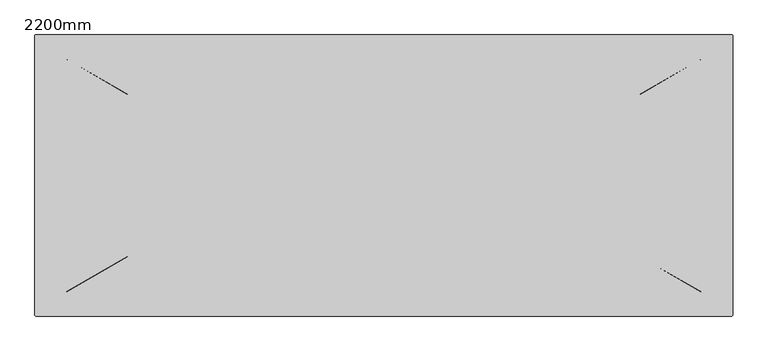
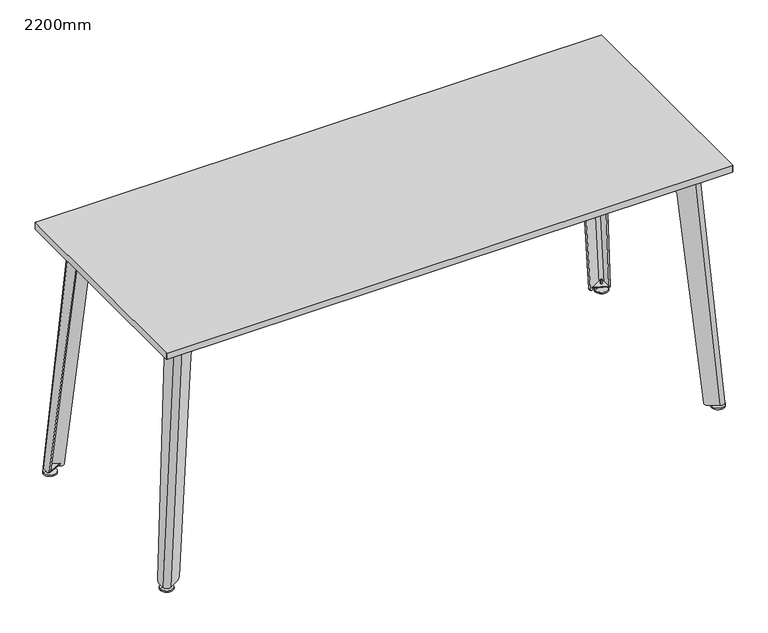
"""IFC4 building model written with IfcOpenShell, lengths in millimetres: furniture geometry, 2200mm."""

from ifc_helpers import new_model, si_unit, point, frame, frame_2d, origin, place, context, project, spatial, polyline, circle_curve, ellipse_curve, trimmed, segment, composite_curve, outline, extrude, source, transform, mapped, element, save
from ifc_brep_helpers import plane_surface, cylinder_surface, revolved_surface, extruded_surface, advanced_brep


def furniture_2200mm_84285210(model_context):
    return source(origin(), model_context, "Body", "SolidModel", [
        extrude(outline(composite_curve([segment(trimmed(circle_curve(frame_2d((1069.9, -398.85)), 10.0), [point((1079.9, -398.85))], [point((1064.9, -407.510254))], False, "CARTESIAN"), True, "CONTINUOUS"), segment(polyline([(1064.9, -407.510254), (1027.8308212, -386.1083537), (1079.9, -365.0710399), (1079.9, -398.85)]), True, "CONTINUOUS")], self_intersect=False)), frame((0.0, 0.0, 21.0), z_axis=(0.0, 0.0, 1.0), x_axis=(1.0, 0.0, 0.0)), (0.0, 0.0, 1.0), 4.0),
        extrude(outline(composite_curve([segment(polyline([(-1079.9, -398.85), (-1079.9, -365.0710399), (-1027.8308212, -386.1083537), (-1064.9, -407.510254)]), True, "CONTINUOUS"), segment(trimmed(circle_curve(frame_2d((-1069.9, -398.85)), 10.0), [point((-1064.9, -407.510254))], [point((-1079.9, -398.85))], False, "CARTESIAN"), True, "CONTINUOUS")], self_intersect=False)), frame((0.0, 0.0, 21.0), z_axis=(0.0, 0.0, 1.0), x_axis=(1.0, 0.0, 0.0)), (0.0, 0.0, 1.0), 4.0),
        extrude(outline(composite_curve([segment(polyline([(1079.9, 398.85), (1079.9, 365.0710399), (1027.8308212, 386.1083537), (1064.9, 407.510254)]), True, "CONTINUOUS"), segment(trimmed(circle_curve(frame_2d((1069.9, 398.85)), 10.0), [point((1064.9, 407.510254))], [point((1079.9, 398.85))], False, "CARTESIAN"), True, "CONTINUOUS")], self_intersect=False)), frame((0.0, 0.0, 21.0), z_axis=(0.0, 0.0, 1.0), x_axis=(1.0, 0.0, 0.0)), (0.0, 0.0, 1.0), 4.0),
        extrude(outline(composite_curve([segment(trimmed(circle_curve(frame_2d((-1069.9, 398.85)), 10.0), [point((-1079.9, 398.85))], [point((-1064.9, 407.510254))], False, "CARTESIAN"), True, "CONTINUOUS"), segment(polyline([(-1064.9, 407.510254), (-1027.8308212, 386.1083537), (-1079.9, 365.0710399), (-1079.9, 398.85)]), True, "CONTINUOUS")], self_intersect=False)), frame((0.0, 0.0, 21.0), z_axis=(0.0, 0.0, 1.0), x_axis=(1.0, 0.0, 0.0)), (0.0, 0.0, 1.0), 4.0),
        extrude(outline(polyline([(900.0, 1007.5599289), (975.0, 1002.4509263), (975.0, -1002.4509263), (900.0, -1007.5599289), (900.0, 1007.5599289)])), frame((0.0, -258.85, 0.0), z_axis=(0.0, 1.0, 0.0), x_axis=(0.0, 0.0, 1.0)), (0.0, 0.0, 1.0), 30.0),
        advanced_brep(
        [(1065.9, -390.35, 0.0), (1040.9, -390.35, 0.0), (1090.9, -390.35, 0.0), (1040.9, -390.35, 5.0), (1090.9, -390.35, 5.0), (1060.9, -390.35, 14.0), (1070.9, -390.35, 14.0), (1065.9, -390.35, 14.0)],
        [
            (0, 1),
            (1, 2, circle_curve(frame((1065.9, -390.35, 0.0), z_axis=(0.0, 0.0, -1.0), x_axis=(-1.0, 0.0, 0.0)), 25.0)),
            (2, 0),
            (2, 1, circle_curve(frame((1065.9, -390.35, 0.0), z_axis=(0.0, 0.0, -1.0), x_axis=(-1.0, 0.0, 0.0)), 25.0)),
            (1, 3),
            (3, 4, circle_curve(frame((1065.9, -390.35, 5.0), z_axis=(0.0, 0.0, -1.0), x_axis=(-1.0, 0.0, 0.0)), 25.0)),
            (4, 2),
            (4, 3, circle_curve(frame((1065.9, -390.35, 5.0), z_axis=(0.0, 0.0, -1.0), x_axis=(-1.0, 0.0, 0.0)), 25.0)),
            (3, 5),
            (5, 6, circle_curve(frame((1065.9, -390.35, 14.0), z_axis=(0.0, 0.0, -1.0), x_axis=(-1.0, 0.0, 0.0)), 5.0)),
            (6, 4),
            (6, 5, circle_curve(frame((1065.9, -390.35, 14.0), z_axis=(0.0, 0.0, -1.0), x_axis=(-1.0, 0.0, 0.0)), 5.0)),
            (5, 7),
            (7, 6),
        ],
        [
            plane_surface(frame((1065.9, -390.35, 0.0), z_axis=(0.0, 0.0, -1.0), x_axis=(-1.0, 0.0, 0.0))),
            cylinder_surface(frame((1065.9, -390.35, -2.6616967), z_axis=(0.0, 0.0, -1.0), x_axis=(-1.0, 0.0, 0.0)), 25.0),
            revolved_surface(polyline([(1060.9, -390.35, 14.0), (1040.9, -390.35, 5.0)]), (1065.9, -390.35, -2.6616967), (0.0, 0.0, -1.0)),
            plane_surface(frame((1065.9, -390.35, 14.0), z_axis=(0.0, 0.0, 1.0), x_axis=(-1.0, 0.0, 0.0))),
        ],
        [
            (0, [[1, 2, 3]]),
            (0, [[-3, 4, -1]]),
            (1, [[-2, 5, 6, 7]]),
            (1, [[-4, -7, 8, -5]]),
            (2, [[-6, 9, 10, 11]]),
            (2, [[-8, -11, 12, -9]]),
            (3, [[-10, 13, 14]]),
            (3, [[-12, -14, -13]]),
        ],
    ),
        advanced_brep(
        [(1090.9, 390.35, 0.0), (1040.9, 390.35, 0.0), (1065.9, 390.35, 0.0), (1090.9, 390.35, 5.0), (1040.9, 390.35, 5.0), (1070.9, 390.35, 14.0), (1060.9, 390.35, 14.0), (1065.9, 390.35, 14.0)],
        [
            (0, 1, circle_curve(frame((1065.9, 390.35, 0.0), z_axis=(0.0, 0.0, -1.0), x_axis=(-1.0, 0.0, 0.0)), 25.0)),
            (1, 2),
            (2, 0),
            (1, 0, circle_curve(frame((1065.9, 390.35, 0.0), z_axis=(0.0, 0.0, -1.0), x_axis=(-1.0, 0.0, 0.0)), 25.0)),
            (3, 4, circle_curve(frame((1065.9, 390.35, 5.0), z_axis=(0.0, 0.0, -1.0), x_axis=(-1.0, 0.0, 0.0)), 25.0)),
            (4, 1),
            (0, 3),
            (4, 3, circle_curve(frame((1065.9, 390.35, 5.0), z_axis=(0.0, 0.0, -1.0), x_axis=(-1.0, 0.0, 0.0)), 25.0)),
            (5, 6, circle_curve(frame((1065.9, 390.35, 14.0), z_axis=(0.0, 0.0, -1.0), x_axis=(-1.0, 0.0, 0.0)), 5.0)),
            (6, 4),
            (3, 5),
            (6, 5, circle_curve(frame((1065.9, 390.35, 14.0), z_axis=(0.0, 0.0, -1.0), x_axis=(-1.0, 0.0, 0.0)), 5.0)),
            (7, 6),
            (5, 7),
        ],
        [
            plane_surface(frame((1065.9, 390.35, 0.0), z_axis=(0.0, 0.0, -1.0), x_axis=(-1.0, 0.0, 0.0))),
            cylinder_surface(frame((1065.9, 390.35, -2.6616967), z_axis=(0.0, 0.0, 1.0), x_axis=(-1.0, 0.0, 0.0)), 25.0),
            revolved_surface(polyline([(1040.9, 390.35, 5.0), (1060.9, 390.35, 14.0)]), (1065.9, 390.35, -2.6616967), (0.0, 0.0, 1.0)),
            plane_surface(frame((1065.9, 390.35, 14.0), z_axis=(0.0, 0.0, 1.0), x_axis=(-1.0, 0.0, 0.0))),
        ],
        [
            (0, [[1, 2, 3]]),
            (0, [[4, -3, -2]]),
            (1, [[5, 6, -1, 7]]),
            (1, [[8, -7, -4, -6]]),
            (2, [[9, 10, -5, 11]]),
            (2, [[12, -11, -8, -10]]),
            (3, [[13, -9, 14]]),
            (3, [[-14, -12, -13]]),
        ],
    ),
        advanced_brep(
        [(-1090.9, -390.35, 0.0), (-1040.9, -390.35, 0.0), (-1065.9, -390.35, 0.0), (-1090.9, -390.35, 5.0), (-1040.9, -390.35, 5.0), (-1070.9, -390.35, 14.0), (-1060.9, -390.35, 14.0), (-1065.9, -390.35, 14.0)],
        [
            (0, 1, circle_curve(frame((-1065.9, -390.35, 0.0), z_axis=(0.0, 0.0, -1.0), x_axis=(1.0, 0.0, 0.0)), 25.0)),
            (1, 2),
            (2, 0),
            (1, 0, circle_curve(frame((-1065.9, -390.35, 0.0), z_axis=(0.0, 0.0, -1.0), x_axis=(1.0, 0.0, 0.0)), 25.0)),
            (3, 4, circle_curve(frame((-1065.9, -390.35, 5.0), z_axis=(0.0, 0.0, -1.0), x_axis=(1.0, 0.0, 0.0)), 25.0)),
            (4, 1),
            (0, 3),
            (4, 3, circle_curve(frame((-1065.9, -390.35, 5.0), z_axis=(0.0, 0.0, -1.0), x_axis=(1.0, 0.0, 0.0)), 25.0)),
            (5, 6, circle_curve(frame((-1065.9, -390.35, 14.0), z_axis=(0.0, 0.0, -1.0), x_axis=(1.0, 0.0, 0.0)), 5.0)),
            (6, 4),
            (3, 5),
            (6, 5, circle_curve(frame((-1065.9, -390.35, 14.0), z_axis=(0.0, 0.0, -1.0), x_axis=(1.0, 0.0, 0.0)), 5.0)),
            (7, 6),
            (5, 7),
        ],
        [
            plane_surface(frame((-1065.9, -390.35, 0.0), z_axis=(0.0, 0.0, -1.0), x_axis=(1.0, 0.0, 0.0))),
            cylinder_surface(frame((-1065.9, -390.35, -2.6616967), z_axis=(0.0, 0.0, 1.0), x_axis=(1.0, 0.0, 0.0)), 25.0),
            revolved_surface(polyline([(-1040.9, -390.35, 5.0), (-1060.9, -390.35, 14.0)]), (-1065.9, -390.35, -2.6616967), (0.0, 0.0, 1.0)),
            plane_surface(frame((-1065.9, -390.35, 14.0), z_axis=(0.0, 0.0, 1.0), x_axis=(1.0, 0.0, 0.0))),
        ],
        [
            (0, [[1, 2, 3]]),
            (0, [[4, -3, -2]]),
            (1, [[5, 6, -1, 7]]),
            (1, [[8, -7, -4, -6]]),
            (2, [[9, 10, -5, 11]]),
            (2, [[12, -11, -8, -10]]),
            (3, [[13, -9, 14]]),
            (3, [[-14, -12, -13]]),
        ],
    ),
        extrude(outline(composite_curve([segment(trimmed(circle_curve(frame_2d((-1065.9, 390.35)), 3.5), [point((-1069.4, 390.35))], [point((-1062.4, 390.35))], False, "CARTESIAN"), True, "CONTINUOUS"), segment(trimmed(circle_curve(frame_2d((-1065.9, 390.35)), 3.5), [point((-1062.4, 390.35))], [point((-1069.4, 390.35))], False, "CARTESIAN"), True, "CONTINUOUS")], self_intersect=False)), frame((0.0, 0.0, 14.0), z_axis=(0.0, 0.0, 1.0), x_axis=(1.0, 0.0, 0.0)), (0.0, 0.0, 1.0), 26.0),
        extrude(outline(composite_curve([segment(trimmed(circle_curve(frame_2d((-1065.9, -390.35)), 3.5), [point((-1069.4, -390.35))], [point((-1062.4, -390.35))], False, "CARTESIAN"), True, "CONTINUOUS"), segment(trimmed(circle_curve(frame_2d((-1065.9, -390.35)), 3.5), [point((-1062.4, -390.35))], [point((-1069.4, -390.35))], False, "CARTESIAN"), True, "CONTINUOUS")], self_intersect=False)), frame((0.0, 0.0, 14.0), z_axis=(0.0, 0.0, 1.0), x_axis=(1.0, 0.0, 0.0)), (0.0, 0.0, 1.0), 26.0),
        extrude(outline(composite_curve([segment(trimmed(circle_curve(frame_2d((1065.9, 390.35)), 3.5), [point((1062.4, 390.35))], [point((1069.4, 390.35))], False, "CARTESIAN"), True, "CONTINUOUS"), segment(trimmed(circle_curve(frame_2d((1065.9, 390.35)), 3.5), [point((1069.4, 390.35))], [point((1062.4, 390.35))], False, "CARTESIAN"), True, "CONTINUOUS")], self_intersect=False)), frame((0.0, 0.0, 14.0), z_axis=(0.0, 0.0, 1.0), x_axis=(1.0, 0.0, 0.0)), (0.0, 0.0, 1.0), 26.0),
        extrude(outline(composite_curve([segment(trimmed(circle_curve(frame_2d((1065.9, -390.35)), 3.5), [point((1062.4, -390.35))], [point((1069.4, -390.35))], False, "CARTESIAN"), True, "CONTINUOUS"), segment(trimmed(circle_curve(frame_2d((1065.9, -390.35)), 3.5), [point((1069.4, -390.35))], [point((1062.4, -390.35))], False, "CARTESIAN"), True, "CONTINUOUS")], self_intersect=False)), frame((0.0, 0.0, 14.0), z_axis=(0.0, 0.0, 1.0), x_axis=(1.0, 0.0, 0.0)), (0.0, 0.0, 1.0), 26.0),
        advanced_brep(
        [(-1065.9, 390.35, 0.0), (-1040.9, 390.35, 0.0), (-1090.9, 390.35, 0.0), (-1040.9, 390.35, 5.0), (-1090.9, 390.35, 5.0), (-1060.9, 390.35, 14.0), (-1070.9, 390.35, 14.0), (-1065.9, 390.35, 14.0)],
        [
            (0, 1),
            (1, 2, circle_curve(frame((-1065.9, 390.35, 0.0), z_axis=(0.0, 0.0, -1.0), x_axis=(1.0, 0.0, 0.0)), 25.0)),
            (2, 0),
            (2, 1, circle_curve(frame((-1065.9, 390.35, 0.0), z_axis=(0.0, 0.0, -1.0), x_axis=(1.0, 0.0, 0.0)), 25.0)),
            (1, 3),
            (3, 4, circle_curve(frame((-1065.9, 390.35, 5.0), z_axis=(0.0, 0.0, -1.0), x_axis=(1.0, 0.0, 0.0)), 25.0)),
            (4, 2),
            (4, 3, circle_curve(frame((-1065.9, 390.35, 5.0), z_axis=(0.0, 0.0, -1.0), x_axis=(1.0, 0.0, 0.0)), 25.0)),
            (3, 5),
            (5, 6, circle_curve(frame((-1065.9, 390.35, 14.0), z_axis=(0.0, 0.0, -1.0), x_axis=(1.0, 0.0, 0.0)), 5.0)),
            (6, 4),
            (6, 5, circle_curve(frame((-1065.9, 390.35, 14.0), z_axis=(0.0, 0.0, -1.0), x_axis=(1.0, 0.0, 0.0)), 5.0)),
            (5, 7),
            (7, 6),
        ],
        [
            plane_surface(frame((-1065.9, 390.35, 0.0), z_axis=(0.0, 0.0, -1.0), x_axis=(1.0, 0.0, 0.0))),
            cylinder_surface(frame((-1065.9, 390.35, -2.6616967), z_axis=(0.0, 0.0, -1.0), x_axis=(1.0, 0.0, 0.0)), 25.0),
            revolved_surface(polyline([(-1060.9, 390.35, 14.0), (-1040.9, 390.35, 5.0)]), (-1065.9, 390.35, -2.6616967), (0.0, 0.0, -1.0)),
            plane_surface(frame((-1065.9, 390.35, 14.0), z_axis=(0.0, 0.0, 1.0), x_axis=(1.0, 0.0, 0.0))),
        ],
        [
            (0, [[1, 2, 3]]),
            (0, [[-3, 4, -1]]),
            (1, [[-2, 5, 6, 7]]),
            (1, [[-4, -7, 8, -5]]),
            (2, [[-6, 9, 10, 11]]),
            (2, [[-8, -11, 12, -9]]),
            (3, [[-10, 13, 14]]),
            (3, [[-12, -14, -13]]),
        ],
    ),
        extrude(outline(polyline([(975.0, 1002.4509263), (975.0, -1002.4509263), (900.0, -1007.5599289), (900.0, 1007.5599289), (975.0, 1002.4509263)])), frame((0.0, 228.85, 0.0), z_axis=(0.0, 1.0, 0.0), x_axis=(0.0, 0.0, 1.0)), (0.0, 0.0, 1.0), 30.0),
        advanced_brep(
        [(1007.4625137, -349.35, 975.0), (992.4625137, -358.010254, 975.0), (767.2959087, -228.010254, 975.0), (764.7959087, -232.3403811, 975.0), (989.9625137, -362.3403811, 975.0), (1012.4625137, -349.35, 975.0), (1012.4625137, -204.35, 975.0), (1007.4625137, -204.35, 975.0), (1084.9, -398.85, 15.0), (1062.4, -411.8403811, 15.0), (1024.9955687, -390.2449226, 15.0), (1023.9711325, -389.653464, 15.0), (1026.5712889, -385.3811624, 15.0), (1027.5957252, -385.9726209, 15.0), (1064.9, -407.510254, 15.0), (1079.9, -398.85, 15.0), (1079.9, -375.85, 15.0), (1079.9, -374.6082745, 15.0), (1084.9, -374.6082745, 15.0), (1084.9, -375.85, 15.0), (1084.0930456, -362.6795094, 25.6944107), (1020.4753094, -297.763931, 868.8079686), (1018.1216923, -262.9716995, 900.0), (1018.1216923, -239.35, 900.0), (1015.4807423, -204.35, 935.0), (783.9867343, -244.0200686, 900.0), (910.7752244, -317.2214374, 900.0), (940.8187311, -334.8180588, 868.6183037), (1013.6705016, -383.6203367, 25.7594387), (786.4867343, -239.6899415, 900.0), (1016.270658, -379.348035, 25.7594387), (943.4188875, -330.5457571, 868.6183037), (913.3753808, -312.9491358, 900.0), (1010.4807423, -204.35, 935.0), (1013.1216923, -239.35, 900.0), (1013.1216923, -262.9716995, 900.0), (1015.4753094, -297.763931, 868.8079686), (1079.0930456, -362.6795094, 25.6944107)],
        [
            (0, 1, circle_curve(frame((997.4625137, -349.35, 975.0), z_axis=(0.0, 0.0, -1.0), x_axis=(-1.0, 0.0, 0.0)), 10.0)),
            (1, 2),
            (2, 3),
            (3, 4),
            (4, 5, circle_curve(frame((997.4625137, -349.35, 975.0), z_axis=(0.0, 0.0, 1.0), x_axis=(-1.0, 0.0, 0.0)), 15.0)),
            (5, 6),
            (6, 7),
            (7, 0),
            (8, 9, circle_curve(frame((1069.9, -398.85, 15.0), z_axis=(0.0, 0.0, -1.0), x_axis=(-1.0, 0.0, 0.0)), 15.0)),
            (9, 10),
            (10, 11),
            (11, 12),
            (12, 13),
            (13, 14),
            (14, 15, circle_curve(frame((1069.9, -398.85, 15.0), z_axis=(0.0, 0.0, 1.0), x_axis=(-1.0, 0.0, 0.0)), 10.0)),
            (15, 16),
            (16, 17),
            (17, 18),
            (18, 19),
            (19, 8),
            (5, 8),
            (18, 20, ellipse_curve(frame((1083.9945314, -374.6082745, 27.0), z_axis=(0.9971653164115103, 0.0, 0.07524182178770429), x_axis=(-0.07524182178770267, 0.0, 0.9971653164115103)), 12.0341129, 12.0)),
            (20, 21),
            (21, 22, ellipse_curve(frame((1020.7626424, -262.9716995, 865.0), z_axis=(-0.9971653164115103, 0.0, -0.07524182178770429), x_axis=(0.07524182178770267, 0.0, -0.9971653164115103)), 35.099496, 35.0)),
            (22, 23),
            (23, 24, ellipse_curve(frame((1015.4807423, -239.35, 935.0), z_axis=(0.9971653164115103, 0.0, 0.07524182178770429), x_axis=(-0.07524182178770267, 0.0, 0.9971653164115103)), 35.099496, 35.0)),
            (24, 6),
            (4, 9),
            (3, 25),
            (25, 26),
            (26, 27, ellipse_curve(frame((910.6491531, -317.4285844, 865.0), z_axis=(0.49998800606232935, 0.8660046296760573, -0.006926411296702208), x_axis=(0.8306199541364403, -0.47726430404201303, 0.28686107417645745)), 35.0102011, 35.0)),
            (27, 28),
            (28, 11, ellipse_curve(frame((1024.0143569, -389.5824422, 27.0), z_axis=(-0.49998800606232935, -0.8660046296760573, 0.006926411296702208), x_axis=(-0.8306199541364403, 0.47726430404201303, -0.28686107417645745)), 12.0034975, 12.0)),
            (2, 29),
            (29, 25),
            (1, 14),
            (12, 30, ellipse_curve(frame((1026.6145133, -385.3101405, 27.0), z_axis=(0.4999880060623276, 0.8660046296760537, -0.006926411297292809), x_axis=(-0.8306199541307749, 0.47726430403837944, -0.2868610741989066)), 12.0034975, 12.0)),
            (30, 31),
            (31, 32, ellipse_curve(frame((913.2493095, -313.1562828, 865.0), z_axis=(-0.4999880060623276, -0.8660046296760537, 0.006926411297292809), x_axis=(0.8306199541307749, -0.47726430403837944, 0.2868610741989066)), 35.0102011, 35.0)),
            (32, 29),
            (0, 15),
            (7, 33),
            (33, 34, ellipse_curve(frame((1010.4807423, -239.35, 935.0), z_axis=(-0.9971653164114374, 0.0, -0.0752418217886706), x_axis=(-0.07524182178867078, 0.0, 0.9971653164114374)), 35.099496, 35.0)),
            (34, 35),
            (35, 36, ellipse_curve(frame((1015.7626424, -262.9716995, 865.0), z_axis=(0.9971653164114374, 0.0, 0.0752418217886706), x_axis=(0.07524182178867078, 0.0, -0.9971653164114374)), 35.099496, 35.0)),
            (36, 37),
            (37, 17, ellipse_curve(frame((1078.9945314, -374.6082745, 27.0), z_axis=(-0.9971653164114374, 0.0, -0.0752418217886706), x_axis=(-0.07524182178867078, 0.0, 0.9971653164114374)), 12.0341129, 12.0)),
            (35, 22),
            (21, 36),
            (20, 37),
            (24, 33),
            (23, 34),
            (32, 26),
            (31, 27),
            (30, 28),
        ],
        [
            plane_surface(frame((944.2958625, -279.7626588, 975.0), z_axis=(0.0, 0.0, 1.0), x_axis=(-1.0, 0.0, 0.0))),
            plane_surface(frame((1060.0346189, -386.7626588, 15.0), z_axis=(0.0, 0.0, -1.0), x_axis=(-1.0, 0.0, 0.0))),
            plane_surface(frame((1084.9, -378.85, 15.0), z_axis=(0.9971653164115103, 0.0, 0.07524182178770429), x_axis=(0.0, 1.0, 0.0))),
            extruded_surface(trimmed(circle_curve(frame((1069.9, -398.85, 15.0), z_axis=(0.0, 0.0, 1.0), x_axis=(-1.0, 0.0, 0.0)), 15.0), [point((1062.4, -411.8403811, 15.0))], [point((1084.9, -398.85, 15.0))], True, "CARTESIAN"), (-72.43748630000005, 49.5, 960.0), 964.0007465876065),
            plane_surface(frame((1036.4192379, -396.8403811, 15.0), z_axis=(-0.49998800606232935, -0.8660046296760573, 0.006926411296702208), x_axis=(0.8660254037847004, -0.49999999999954664, 0.0))),
            plane_surface(frame((1011.6884758, -379.6753175, 15.0), z_axis=(-0.829624833642389, 0.4789841210292581, -0.2868742707279055), x_axis=(-0.49999999999955086, -0.8660254037846981, 0.0))),
            plane_surface(frame((1038.9192379, -392.510254, 15.0), z_axis=(0.49998800606232746, 0.8660046296760535, -0.006926411297292807), x_axis=(-0.8660254037847003, 0.4999999999995468, 0.0))),
            extruded_surface(trimmed(circle_curve(frame((1069.9, -398.85, 15.0), z_axis=(0.0, 0.0, -1.0), x_axis=(-1.0, 0.0, 0.0)), 10.0), [point((1079.9, -398.85, 15.0))], [point((1064.9, -407.510254, 15.0))], True, "CARTESIAN"), (-72.43748630000005, 49.5, 960.0), 964.0007465876065),
            plane_surface(frame((1079.9, -378.85, 15.0), z_axis=(-0.9971653164114374, 0.0, -0.0752418217886706), x_axis=(0.0, -1.0, 0.0))),
            revolved_surface(polyline([(1023.4035924228701, -227.9716995, 865.0), (1013.1216922999997, -227.9716995, 865.0)]), (-1104.9, -262.9716995, 865.0), (1.0, 0.0, 0.0)),
            plane_surface(frame((1104.9, -297.763931, 868.8079686), z_axis=(0.0, 0.9970489946582772, -0.07676784646529179), x_axis=(-1.0, 0.0, 0.0))),
            cylinder_surface(frame((-1104.9, -374.6082745, 27.0), z_axis=(-1.0, 0.0, 0.0), x_axis=(0.0, 1.0, 0.0)), 12.0),
            plane_surface(frame((1104.9, -204.35, 975.0), z_axis=(0.0, 1.0, 0.0), x_axis=(-1.0, 0.0, 0.0))),
            cylinder_surface(frame((-1104.9, -239.35, 935.0), z_axis=(-1.0, 0.0, 0.0), x_axis=(0.0, 1.0, 0.0)), 35.0),
            plane_surface(frame((1104.9, -239.35, 900.0), z_axis=(0.0, 0.0, -1.0), x_axis=(-1.0, 0.0, 0.0))),
            revolved_surface(polyline([(883.7905520029547, -294.23814897375735, 865.0), (880.3116806432018, -299.9542619581393, 865.0)]), (894.0509742, -344.7009542, 865.0), (0.5198922329362203, 0.8542318573622685, 0.0)),
            plane_surface(frame((953.7291947, -313.6049523, 868.6183037), z_axis=(-0.8496548167941913, 0.5171066100158513, -0.10338010532178658), x_axis=(-0.51989223293622, -0.8542318573622687, 0.0))),
            cylinder_surface(frame((1008.8190734, -414.5497228, 27.0), z_axis=(-0.5198922329362203, -0.8542318573622685, 0.0), x_axis=(-0.8542318573622685, 0.5198922329362203, 0.0)), 12.0),
        ],
        [
            (0, [[1, 2, 3, 4, 5, 6, 7, 8]]),
            (1, [[9, 10, 11, 12, 13, 14, 15, 16, 17, 18, 19, 20]]),
            (2, [[21, -20, -19, 22, 23, 24, 25, 26, 27, -6]]),
            (3, [[-5, 28, -9, -21]]),
            (4, [[-4, 29, 30, 31, 32, 33, -11, -10, -28]]),
            (5, [[-3, 34, 35, -29]]),
            (6, [[-2, 36, -14, -13, 37, 38, 39, 40, -34]]),
            (7, [[-1, 41, -15, -36]]),
            (8, [[-41, -8, 42, 43, 44, 45, 46, 47, -17, -16]]),
            (9, [[48, -24, 49, -45]]),
            (10, [[-49, -23, 50, -46]]),
            (11, [[-50, -22, -18, -47]]),
            (12, [[51, -42, -7, -27]]),
            (13, [[-51, -26, 52, -43]]),
            (14, [[-35, -40, 53, -30]]),
            (14, [[-48, -44, -52, -25]]),
            (15, [[-53, -39, 54, -31]]),
            (16, [[-54, -38, 55, -32]]),
            (17, [[-55, -37, -12, -33]]),
        ],
    ),
        advanced_brep(
        [(-1012.4625137, -349.35, 975.0), (-989.9625137, -362.3403811, 975.0), (-804.7251938, -255.3935645, 975.0), (-807.3253502, -251.1212628, 975.0), (-992.4625137, -358.010254, 975.0), (-1007.4625137, -349.35, 975.0), (-1007.4625137, -204.35, 975.0), (-1012.4625137, -204.35, 975.0), (-1079.9, -398.85, 15.0), (-1064.9, -407.510254, 15.0), (-1027.5957252, -385.9726209, 15.0), (-1026.5712889, -385.3811624, 15.0), (-1023.9711325, -389.653464, 15.0), (-1024.9955687, -390.2449226, 15.0), (-1062.4, -411.8403811, 15.0), (-1084.9, -398.85, 15.0), (-1084.9, -375.85, 15.0), (-1084.9, -374.6082745, 15.0), (-1079.9, -374.6082745, 15.0), (-1079.9, -375.85, 15.0), (-1015.4807423, -204.35, 935.0), (-1018.1216923, -239.35, 900.0), (-1018.1216923, -262.9716995, 900.0), (-1020.4753094, -297.763931, 868.8079686), (-1084.0930456, -362.6795094, 25.6944107), (-1013.6705016, -383.6203367, 25.7594387), (-940.8187311, -334.8180588, 868.6183037), (-910.7752244, -317.2214374, 900.0), (-804.455041, -255.8374509, 900.0), (-807.0551974, -251.5651493, 900.0), (-913.3753808, -312.9491358, 900.0), (-943.4188875, -330.5457571, 868.6183037), (-1016.270658, -379.348035, 25.7594387), (-1079.0930456, -362.6795094, 25.6944107), (-1015.4753094, -297.763931, 868.8079686), (-1013.1216923, -262.9716995, 900.0), (-1013.1216923, -239.35, 900.0), (-1010.4807423, -204.35, 935.0)],
        [
            (0, 1, circle_curve(frame((-997.4625137, -349.35, 975.0), z_axis=(0.0, 0.0, 1.0), x_axis=(1.0, 0.0, 0.0)), 15.0)),
            (1, 2),
            (2, 3),
            (3, 4),
            (4, 5, circle_curve(frame((-997.4625137, -349.35, 975.0), z_axis=(0.0, 0.0, -1.0), x_axis=(1.0, 0.0, 0.0)), 10.0)),
            (5, 6),
            (6, 7),
            (7, 0),
            (8, 9, circle_curve(frame((-1069.9, -398.85, 15.0), z_axis=(0.0, 0.0, 1.0), x_axis=(1.0, 0.0, 0.0)), 10.0)),
            (9, 10),
            (10, 11),
            (11, 12),
            (12, 13),
            (13, 14),
            (14, 15, circle_curve(frame((-1069.9, -398.85, 15.0), z_axis=(0.0, 0.0, -1.0), x_axis=(1.0, 0.0, 0.0)), 15.0)),
            (15, 16),
            (16, 17),
            (17, 18),
            (18, 19),
            (19, 8),
            (15, 0),
            (7, 20),
            (20, 21, ellipse_curve(frame((-1015.4807423, -239.35, 935.0), z_axis=(-0.9971653164115172, 0.0, 0.07524182178761259), x_axis=(-0.07524182178761288, 0.0, -0.9971653164115172)), 35.099496, 35.0)),
            (21, 22),
            (22, 23, ellipse_curve(frame((-1020.7626424, -262.9716995, 865.0), z_axis=(0.9971653164115172, 0.0, -0.07524182178761259), x_axis=(0.07524182178761288, 0.0, 0.9971653164115172)), 35.099496, 35.0)),
            (23, 24),
            (24, 17, ellipse_curve(frame((-1083.9945314, -374.6082745, 27.0), z_axis=(-0.9971653164115172, 0.0, 0.07524182178761259), x_axis=(-0.07524182178761288, 0.0, -0.9971653164115172)), 12.0341129, 12.0)),
            (14, 1),
            (12, 25, ellipse_curve(frame((-1024.0143569, -389.5824422, 27.0), z_axis=(0.4999880060625346, -0.8660046296759386, 0.006926411296751298), x_axis=(-0.8306199541360118, -0.47726430404201964, 0.28686107417768686)), 12.0034975, 12.0)),
            (25, 26),
            (26, 27, ellipse_curve(frame((-910.6491531, -317.4285844, 865.0), z_axis=(-0.4999880060625346, 0.8660046296759386, -0.006926411296751298), x_axis=(0.8306199541360118, 0.47726430404201964, -0.28686107417768686)), 35.0102011, 35.0)),
            (27, 28),
            (28, 2),
            (9, 4),
            (3, 29),
            (29, 30),
            (30, 31, ellipse_curve(frame((-913.2493095, -313.1562828, 865.0), z_axis=(0.4999880060625323, -0.8660046296759351, 0.006926411297352305), x_axis=(0.8306199541302559, 0.4772643040383091, -0.2868610742005261)), 35.0102011, 35.0)),
            (31, 32),
            (32, 11, ellipse_curve(frame((-1026.6145133, -385.3101405, 27.0), z_axis=(-0.4999880060625323, 0.8660046296759351, -0.006926411297352305), x_axis=(-0.8306199541302559, -0.4772643040383091, 0.2868610742005261)), 12.0034975, 12.0)),
            (8, 5),
            (18, 33, ellipse_curve(frame((-1078.9945314, -374.6082745, 27.0), z_axis=(0.9971653164114446, 0.0, -0.07524182178857498), x_axis=(-0.07524182178857458, 0.0, -0.9971653164114446)), 12.0341129, 12.0)),
            (33, 34),
            (34, 35, ellipse_curve(frame((-1015.7626424, -262.9716995, 865.0), z_axis=(-0.9971653164114446, 0.0, 0.07524182178857498), x_axis=(0.07524182178857458, 0.0, 0.9971653164114446)), 35.099496, 35.0)),
            (35, 36),
            (36, 37, ellipse_curve(frame((-1010.4807423, -239.35, 935.0), z_axis=(0.9971653164114446, 0.0, -0.07524182178857498), x_axis=(-0.07524182178857458, 0.0, -0.9971653164114446)), 35.099496, 35.0)),
            (37, 6),
            (22, 35),
            (34, 23),
            (33, 24),
            (37, 20),
            (36, 21),
            (27, 30),
            (29, 28),
            (26, 31),
            (25, 32),
        ],
        [
            plane_surface(frame((-944.2958625, -279.7626588, 975.0), z_axis=(0.0, 0.0, 1.0), x_axis=(0.0, -1.0, 0.0))),
            plane_surface(frame((-1060.0346189, -386.7626588, 15.0), z_axis=(0.0, 0.0, -1.0), x_axis=(0.0, -1.0, 0.0))),
            plane_surface(frame((-1084.9, -378.85, 15.0), z_axis=(-0.9971653164115172, 0.0, 0.07524182178761259), x_axis=(0.0, -1.0, 0.0))),
            extruded_surface(trimmed(circle_curve(frame((-1069.9, -398.85, 15.0), z_axis=(0.0, 0.0, 1.0), x_axis=(1.0, 0.0, 0.0)), 15.0), [point((-1084.9, -398.85, 15.0))], [point((-1062.4, -411.8403811, 15.0))], True, "CARTESIAN"), (72.43748630000005, 49.5, 960.0), 964.0007465876065),
            plane_surface(frame((-1036.4192379, -396.8403811, 15.0), z_axis=(0.49998800606253446, -0.8660046296759384, 0.006926411296751297), x_axis=(0.8660254037845818, 0.4999999999997519, 0.0))),
            plane_surface(frame((-1038.9192379, -392.510254, 15.0), z_axis=(-0.4999880060625323, 0.8660046296759351, -0.006926411297352305), x_axis=(-0.866025403784582, -0.4999999999997518, 0.0))),
            extruded_surface(trimmed(circle_curve(frame((-1069.9, -398.85, 15.0), z_axis=(0.0, 0.0, -1.0), x_axis=(1.0, 0.0, 0.0)), 10.0), [point((-1064.9, -407.510254, 15.0))], [point((-1079.9, -398.85, 15.0))], True, "CARTESIAN"), (72.43748630000005, 49.5, 960.0), 964.0007465876065),
            plane_surface(frame((-1079.9, -378.85, 15.0), z_axis=(0.9971653164114446, 0.0, -0.07524182178857498), x_axis=(0.0, 1.0, 0.0))),
            revolved_surface(polyline([(-1013.1216923, -227.9716995, 865.0), (-1023.4035924228671, -227.9716995, 865.0)]), (-1104.9, -262.9716995, 865.0), (1.0, 0.0, 0.0)),
            plane_surface(frame((1104.9, -297.763931, 868.8079686), z_axis=(0.0, 0.9970489946582772, -0.07676784646529179), x_axis=(-1.0, 0.0, 0.0))),
            cylinder_surface(frame((-1104.9, -374.6082745, 27.0), z_axis=(-1.0, 0.0, 0.0), x_axis=(0.0, 1.0, 0.0)), 12.0),
            plane_surface(frame((1104.9, -204.35, 975.0), z_axis=(0.0, 1.0, 0.0), x_axis=(-1.0, 0.0, 0.0))),
            cylinder_surface(frame((-1104.9, -239.35, 935.0), z_axis=(-1.0, 0.0, 0.0), x_axis=(0.0, 1.0, 0.0)), 35.0),
            plane_surface(frame((1104.9, -239.35, 900.0), z_axis=(0.0, 0.0, -1.0), x_axis=(-1.0, 0.0, 0.0))),
            plane_surface(frame((-789.1948047, -280.9114551, 975.0), z_axis=(0.8542318573621146, 0.5198922329364731, 0.0), x_axis=(-0.5198922329364731, 0.8542318573621146, 0.0))),
            revolved_surface(polyline([(-880.3116805797091, -299.95426191948724, 865.0), (-883.7905519394659, -294.23814893510274, 865.0)]), (-923.9793779, -295.5257707, 865.0), (0.5198922329364706, -0.8542318573621162, 0.0)),
            plane_surface(frame((-923.7769946, -362.8192353, 868.6183037), z_axis=(0.8496548167940399, 0.5171066100161018, -0.10338010532177778), x_axis=(-0.5198922329364714, 0.8542318573621156, 0.0))),
            cylinder_surface(frame((-1038.7474771, -365.3745394, 27.0), z_axis=(-0.5198922329364706, 0.8542318573621162, 0.0), x_axis=(0.8542318573621162, 0.5198922329364706, 0.0)), 12.0),
        ],
        [
            (0, [[1, 2, 3, 4, 5, 6, 7, 8]]),
            (1, [[9, 10, 11, 12, 13, 14, 15, 16, 17, 18, 19, 20]]),
            (2, [[21, -8, 22, 23, 24, 25, 26, 27, -17, -16]]),
            (3, [[-1, -21, -15, 28]]),
            (4, [[-28, -14, -13, 29, 30, 31, 32, 33, -2]]),
            (5, [[34, -4, 35, 36, 37, 38, 39, -11, -10]]),
            (6, [[-5, -34, -9, 40]]),
            (7, [[-40, -20, -19, 41, 42, 43, 44, 45, 46, -6]]),
            (8, [[47, -43, 48, -25]]),
            (9, [[-48, -42, 49, -26]]),
            (10, [[-49, -41, -18, -27]]),
            (11, [[50, -22, -7, -46]]),
            (12, [[-50, -45, 51, -23]]),
            (13, [[-47, -24, -51, -44]]),
            (13, [[52, -36, 53, -32]]),
            (14, [[-3, -33, -53, -35]]),
            (15, [[-52, -31, 54, -37]]),
            (16, [[-54, -30, 55, -38]]),
            (17, [[-55, -29, -12, -39]]),
        ],
    ),
        extrude(outline(polyline([(975.0, 1007.4625137), (975.0, 1002.4509263), (900.0, 1007.5599289), (900.0, 1012.5715163), (975.0, 1007.4625137)])), frame((0.0, -258.85, 0.0), z_axis=(0.0, 1.0, 0.0), x_axis=(0.0, 0.0, 1.0)), (0.0, 0.0, 1.0), 517.7),
        extrude(outline(polyline([(975.0, -1007.4625137), (900.0, -1012.5715163), (900.0, -1007.5599289), (975.0, -1002.4509263), (975.0, -1007.4625137)])), frame((0.0, -258.85, 0.0), z_axis=(0.0, 1.0, 0.0), x_axis=(0.0, 0.0, 1.0)), (0.0, 0.0, 1.0), 517.7),
        advanced_brep(
        [(1012.4625137, 349.35, 975.0), (989.9625137, 362.3403811, 975.0), (804.7251938, 255.3935645, 975.0), (807.3253502, 251.1212628, 975.0), (992.4625137, 358.010254, 975.0), (1007.4625137, 349.35, 975.0), (1007.4625137, 204.35, 975.0), (1012.4625137, 204.35, 975.0), (1079.9, 398.85, 15.0), (1064.9, 407.510254, 15.0), (1027.5957251, 385.9726209, 15.0), (1026.5712889, 385.3811624, 15.0), (1023.9711325, 389.653464, 15.0), (1024.9955687, 390.2449226, 15.0), (1062.4, 411.8403811, 15.0), (1084.9, 398.85, 15.0), (1084.9, 375.85, 15.0), (1084.9, 374.6082745, 15.0), (1079.9, 374.6082745, 15.0), (1079.9, 375.85, 15.0), (1015.4807423, 204.35, 935.0), (1018.1216923, 239.35, 900.0), (1018.1216923, 262.9716995, 900.0), (1020.4753094, 297.763931, 868.8079686), (1084.0930456, 362.6795094, 25.6944107), (1013.6704852, 383.6203257, 25.7596289), (940.830539, 334.8248805, 868.617749), (910.7869844, 317.2282271, 900.0), (804.455041, 255.8374509, 900.0), (807.0551974, 251.5651493, 900.0), (913.3871408, 312.9559254, 900.0), (943.4306955, 330.5525789, 868.617749), (1016.2706416, 379.348024, 25.7596289), (1079.0930456, 362.6795094, 25.6944107), (1015.4753094, 297.763931, 868.8079686), (1013.1216923, 262.9716995, 900.0), (1013.1216923, 239.35, 900.0), (1010.4807423, 204.35, 935.0)],
        [
            (0, 1, circle_curve(frame((997.4625137, 349.35, 975.0), z_axis=(0.0, 0.0, 1.0), x_axis=(-1.0, 0.0, 0.0)), 15.0)),
            (1, 2),
            (2, 3),
            (3, 4),
            (4, 5, circle_curve(frame((997.4625137, 349.35, 975.0), z_axis=(0.0, 0.0, -1.0), x_axis=(-1.0, 0.0, 0.0)), 10.0)),
            (5, 6),
            (6, 7),
            (7, 0),
            (8, 9, circle_curve(frame((1069.9, 398.85, 15.0), z_axis=(0.0, 0.0, 1.0), x_axis=(-1.0, 0.0, 0.0)), 10.0)),
            (9, 10),
            (10, 11),
            (11, 12),
            (12, 13),
            (13, 14),
            (14, 15, circle_curve(frame((1069.9, 398.85, 15.0), z_axis=(0.0, 0.0, -1.0), x_axis=(-1.0, 0.0, 0.0)), 15.0)),
            (15, 16),
            (16, 17),
            (17, 18),
            (18, 19),
            (19, 8),
            (15, 0),
            (7, 20),
            (20, 21, ellipse_curve(frame((1015.4807423, 239.35, 935.0), z_axis=(0.9971653164115152, 0.0, 0.07524182178763955), x_axis=(-0.07524182178763904, 0.0, 0.9971653164115153)), 35.099496, 35.0)),
            (21, 22),
            (22, 23, ellipse_curve(frame((1020.7626424, 262.9716995, 865.0), z_axis=(-0.9971653164115152, 0.0, -0.07524182178763955), x_axis=(0.07524182178763904, 0.0, -0.9971653164115153)), 35.099496, 35.0)),
            (23, 24),
            (24, 17, ellipse_curve(frame((1083.9945314, 374.6082745, 27.0), z_axis=(0.9971653164115152, 0.0, 0.07524182178763955), x_axis=(-0.07524182178763904, 0.0, 0.9971653164115153)), 12.0341129, 12.0)),
            (14, 1),
            (12, 25, ellipse_curve(frame((1024.0143569, 389.5824422, 27.0), z_axis=(-0.4999880060624468, 0.8660046296759889, 0.006926411296792123), x_axis=(-0.8306199541314655, -0.47726430403912523, -0.28686107419566637)), 12.0034975, 12.0)),
            (25, 26),
            (26, 27, ellipse_curve(frame((910.6609131, 317.4353741, 865.0), z_axis=(0.4999880060624468, -0.8660046296759889, -0.006926411296792123), x_axis=(0.8306199541314655, 0.47726430403912523, 0.28686107419566637)), 35.0102011, 35.0)),
            (27, 28),
            (28, 2),
            (9, 4),
            (3, 29),
            (29, 30),
            (30, 31, ellipse_curve(frame((913.2610695, 313.1630724, 865.0), z_axis=(-0.4999880060624448, 0.8660046296759853, 0.00692641129736366), x_axis=(0.8306199541259945, 0.47726430403559084, 0.28686107421738827)), 35.0102011, 35.0)),
            (31, 32),
            (32, 11, ellipse_curve(frame((1026.6145133, 385.3101405, 27.0), z_axis=(0.4999880060624448, -0.8660046296759853, -0.00692641129736366), x_axis=(-0.8306199541259945, -0.47726430403559084, -0.28686107421738827)), 12.0034975, 12.0)),
            (8, 5),
            (18, 33, ellipse_curve(frame((1078.9945314, 374.6082745, 27.0), z_axis=(-0.9971653164114467, 0.0, -0.07524182178854785), x_axis=(-0.07524182178854565, 0.0, 0.9971653164114467)), 12.0341129, 12.0)),
            (33, 34),
            (34, 35, ellipse_curve(frame((1015.7626424, 262.9716995, 865.0), z_axis=(0.9971653164114467, 0.0, 0.07524182178854785), x_axis=(0.07524182178854565, 0.0, -0.9971653164114467)), 35.099496, 35.0)),
            (35, 36),
            (36, 37, ellipse_curve(frame((1010.4807423, 239.35, 935.0), z_axis=(-0.9971653164114467, 0.0, -0.07524182178854785), x_axis=(-0.07524182178854565, 0.0, 0.9971653164114467)), 35.099496, 35.0)),
            (37, 6),
            (34, 23),
            (22, 35),
            (33, 24),
            (37, 20),
            (36, 21),
            (27, 30),
            (29, 28),
            (26, 31),
            (25, 32),
        ],
        [
            plane_surface(frame((944.2958625, 279.7626588, 975.0), z_axis=(0.0, 0.0, 1.0), x_axis=(0.0, 1.0, 0.0))),
            plane_surface(frame((1060.0346189, 386.7626588, 15.0), z_axis=(0.0, 0.0, -1.0), x_axis=(0.0, 1.0, 0.0))),
            plane_surface(frame((1084.9, 378.85, 15.0), z_axis=(0.9971653164115152, 0.0, 0.07524182178763955), x_axis=(0.0, 1.0, 0.0))),
            extruded_surface(trimmed(circle_curve(frame((1069.9, 398.85, 15.0), z_axis=(0.0, 0.0, 1.0), x_axis=(-1.0, 0.0, 0.0)), 15.0), [point((1084.9, 398.85, 15.0))], [point((1062.4, 411.8403811, 15.0))], True, "CARTESIAN"), (-72.43748630000005, -49.5, 960.0), 964.0007465876065),
            plane_surface(frame((1036.4192379, 396.8403811, 15.0), z_axis=(-0.4999880060624468, 0.8660046296759889, 0.006926411296792123), x_axis=(-0.8660254037846326, -0.4999999999996644, 0.0))),
            plane_surface(frame((1038.9192379, 392.510254, 15.0), z_axis=(0.4999880060624448, -0.8660046296759853, -0.00692641129736366), x_axis=(0.8660254037846324, 0.4999999999996644, 0.0))),
            extruded_surface(trimmed(circle_curve(frame((1069.9, 398.85, 15.0), z_axis=(0.0, 0.0, -1.0), x_axis=(-1.0, 0.0, 0.0)), 10.0), [point((1064.9, 407.510254, 15.0))], [point((1079.9, 398.85, 15.0))], True, "CARTESIAN"), (-72.43748630000005, -49.5, 960.0), 964.0007465876065),
            plane_surface(frame((1079.9, 378.85, 15.0), z_axis=(-0.9971653164114467, 0.0, -0.07524182178854785), x_axis=(0.0, -1.0, 0.0))),
            revolved_surface(polyline([(1023.4035924228679, 227.9716995, 865.0), (1013.1216922999997, 227.9716995, 865.0)]), (-1104.9, 262.9716995, 865.0), (1.0, 0.0, 0.0)),
            plane_surface(frame((1104.9, 362.6795094, 25.6944107), z_axis=(0.0, -0.9970489946582769, -0.07676784646529618), x_axis=(-1.0, 0.0, 0.0))),
            cylinder_surface(frame((-1104.9, 374.6082745, 27.0), z_axis=(-1.0, 0.0, 0.0), x_axis=(0.0, -1.0, 0.0)), 12.0),
            plane_surface(frame((1104.9, 204.35, 935.0), z_axis=(0.0, -1.0, 0.0), x_axis=(-1.0, 0.0, 0.0))),
            cylinder_surface(frame((-1104.9, 239.35, 935.0), z_axis=(-1.0, 0.0, 0.0), x_axis=(0.0, -1.0, 0.0)), 35.0),
            plane_surface(frame((1104.9, 262.9716995, 900.0), z_axis=(0.0, 0.0, -1.0), x_axis=(-1.0, 0.0, 0.0))),
            plane_surface(frame((819.1470048, 231.6971721, 900.0), z_axis=(-0.8542318573629185, -0.5198922329351522, 0.0), x_axis=(-0.5198922329351522, 0.8542318573629185, 0.0))),
            revolved_surface(polyline([(943.5985419661935, 330.6373948475743, 865.0), (940.1196705620846, 336.3535079048534, 865.0)]), (894.0625709, 344.708012, 865.0), (0.5198922329351519, -0.8542318573629187, 0.0)),
            plane_surface(frame((1028.5635006, 359.1497, 25.7596289), z_axis=(-0.8496562238771972, -0.5171074663761899, -0.10336425612725077), x_axis=(-0.5198922329351522, 0.8542318573629185, 0.0))),
            cylinder_surface(frame((1008.8190734, 414.5497228, 27.0), z_axis=(-0.5198922329351519, 0.8542318573629187, 0.0), x_axis=(0.8542318573629187, 0.5198922329351519, 0.0)), 12.0),
        ],
        [
            (0, [[1, 2, 3, 4, 5, 6, 7, 8]]),
            (1, [[9, 10, 11, 12, 13, 14, 15, 16, 17, 18, 19, 20]]),
            (2, [[21, -8, 22, 23, 24, 25, 26, 27, -17, -16]]),
            (3, [[-1, -21, -15, 28]]),
            (4, [[-28, -14, -13, 29, 30, 31, 32, 33, -2]]),
            (5, [[34, -4, 35, 36, 37, 38, 39, -11, -10]]),
            (6, [[-5, -34, -9, 40]]),
            (7, [[-40, -20, -19, 41, 42, 43, 44, 45, 46, -6]]),
            (8, [[47, -25, 48, -43]]),
            (9, [[-47, -42, 49, -26]]),
            (10, [[-49, -41, -18, -27]]),
            (11, [[50, -22, -7, -46]]),
            (12, [[-50, -45, 51, -23]]),
            (13, [[-51, -44, -48, -24]]),
            (13, [[52, -36, 53, -32]]),
            (14, [[-3, -33, -53, -35]]),
            (15, [[-52, -31, 54, -37]]),
            (16, [[-54, -30, 55, -38]]),
            (17, [[-55, -29, -12, -39]]),
        ],
    ),
        advanced_brep(
        [(-1007.4625137, 349.35, 975.0), (-992.4625137, 358.010254, 975.0), (-807.3253502, 251.1212628, 975.0), (-804.7251938, 255.3935645, 975.0), (-989.9625137, 362.3403811, 975.0), (-1012.4625137, 349.35, 975.0), (-1012.4625137, 204.35, 975.0), (-1007.4625137, 204.35, 975.0), (-1084.9, 398.85, 15.0), (-1062.4, 411.8403811, 15.0), (-1024.9955687, 390.2449226, 15.0), (-1023.9711325, 389.653464, 15.0), (-1026.5712889, 385.3811624, 15.0), (-1027.5957252, 385.9726209, 15.0), (-1064.9, 407.510254, 15.0), (-1079.9, 398.85, 15.0), (-1079.9, 375.85, 15.0), (-1079.9, 374.6082745, 15.0), (-1084.9, 374.6082745, 15.0), (-1084.9, 375.85, 15.0), (-1084.0930456, 362.6795094, 25.6944107), (-1020.4753094, 297.763931, 868.8079686), (-1018.1216923, 262.9716995, 900.0), (-1018.1216923, 239.35, 900.0), (-1015.4807423, 204.35, 935.0), (-804.455041, 255.8374509, 900.0), (-910.7869844, 317.2282271, 900.0), (-940.8304911, 334.8248484, 868.6183037), (-1013.6705016, 383.6203367, 25.7594387), (-1016.270658, 379.348035, 25.7594387), (-943.4306475, 330.5525467, 868.6183037), (-913.3871408, 312.9559254, 900.0), (-807.0551974, 251.5651493, 900.0), (-1010.4807423, 204.35, 935.0), (-1013.1216923, 239.35, 900.0), (-1013.1216923, 262.9716995, 900.0), (-1015.4753094, 297.763931, 868.8079686), (-1079.0930456, 362.6795094, 25.6944107)],
        [
            (0, 1, circle_curve(frame((-997.4625137, 349.35, 975.0), z_axis=(0.0, 0.0, -1.0), x_axis=(1.0, 0.0, 0.0)), 10.0)),
            (1, 2),
            (2, 3),
            (3, 4),
            (4, 5, circle_curve(frame((-997.4625137, 349.35, 975.0), z_axis=(0.0, 0.0, 1.0), x_axis=(1.0, 0.0, 0.0)), 15.0)),
            (5, 6),
            (6, 7),
            (7, 0),
            (8, 9, circle_curve(frame((-1069.9, 398.85, 15.0), z_axis=(0.0, 0.0, -1.0), x_axis=(1.0, 0.0, 0.0)), 15.0)),
            (9, 10),
            (10, 11),
            (11, 12),
            (12, 13),
            (13, 14),
            (14, 15, circle_curve(frame((-1069.9, 398.85, 15.0), z_axis=(0.0, 0.0, 1.0), x_axis=(1.0, 0.0, 0.0)), 10.0)),
            (15, 16),
            (16, 17),
            (17, 18),
            (18, 19),
            (19, 8),
            (5, 8),
            (18, 20, ellipse_curve(frame((-1083.9945314, 374.6082745, 27.0), z_axis=(-0.9971653164115091, 0.0, 0.07524182178771979), x_axis=(-0.07524182178771963, 0.0, -0.9971653164115091)), 12.0341129, 12.0)),
            (20, 21),
            (21, 22, ellipse_curve(frame((-1020.7626424, 262.9716995, 865.0), z_axis=(0.9971653164115091, 0.0, -0.07524182178771979), x_axis=(0.07524182178771963, 0.0, 0.9971653164115091)), 35.099496, 35.0)),
            (22, 23),
            (23, 24, ellipse_curve(frame((-1015.4807423, 239.35, 935.0), z_axis=(-0.9971653164115091, 0.0, 0.07524182178771979), x_axis=(-0.07524182178771963, 0.0, -0.9971653164115091)), 35.099496, 35.0)),
            (24, 6),
            (4, 9),
            (3, 25),
            (25, 26),
            (26, 27, ellipse_curve(frame((-910.6609131, 317.4353741, 865.0), z_axis=(-0.49998800606240656, -0.8660046296760133, -0.006926411296612908), x_axis=(0.8306199541338943, -0.4772643040405858, -0.2868610741862041)), 35.0102011, 35.0)),
            (27, 28),
            (28, 11, ellipse_curve(frame((-1024.0143569, 389.5824422, 27.0), z_axis=(0.49998800606240656, 0.8660046296760133, 0.006926411296612908), x_axis=(-0.8306199541338943, 0.4772643040405858, 0.2868610741862041)), 12.0034975, 12.0)),
            (1, 14),
            (12, 29, ellipse_curve(frame((-1026.6145133, 385.3101405, 27.0), z_axis=(-0.49998800606240446, -0.86600462967601, -0.00692641129719673), x_axis=(-0.8306199541282971, 0.4772643040369914, 0.28686107420839047)), 12.0034975, 12.0)),
            (29, 30),
            (30, 31, ellipse_curve(frame((-913.2610695, 313.1630724, 865.0), z_axis=(0.49998800606240446, 0.86600462967601, 0.00692641129719673), x_axis=(0.8306199541282971, -0.4772643040369914, -0.28686107420839047)), 35.0102011, 35.0)),
            (31, 32),
            (32, 2),
            (0, 15),
            (7, 33),
            (33, 34, ellipse_curve(frame((-1010.4807423, 239.35, 935.0), z_axis=(0.9971653164114381, 0.0, -0.07524182178866054), x_axis=(-0.0752418217886602, 0.0, -0.9971653164114381)), 35.099496, 35.0)),
            (34, 35),
            (35, 36, ellipse_curve(frame((-1015.7626424, 262.9716995, 865.0), z_axis=(-0.9971653164114381, 0.0, 0.07524182178866054), x_axis=(0.0752418217886602, 0.0, 0.9971653164114381)), 35.099496, 35.0)),
            (36, 37),
            (37, 17, ellipse_curve(frame((-1078.9945314, 374.6082745, 27.0), z_axis=(0.9971653164114381, 0.0, -0.07524182178866054), x_axis=(-0.0752418217886602, 0.0, -0.9971653164114381)), 12.0341129, 12.0)),
            (21, 36),
            (35, 22),
            (20, 37),
            (24, 33),
            (23, 34),
            (25, 32),
            (31, 26),
            (30, 27),
            (29, 28),
        ],
        [
            plane_surface(frame((-944.2958625, 279.7626588, 975.0), z_axis=(0.0, 0.0, 1.0), x_axis=(1.0, 0.0, 0.0))),
            plane_surface(frame((-1060.0346189, 386.7626588, 15.0), z_axis=(0.0, 0.0, -1.0), x_axis=(1.0, 0.0, 0.0))),
            plane_surface(frame((-1084.9, 378.85, 15.0), z_axis=(-0.9971653164115091, 0.0, 0.07524182178771979), x_axis=(0.0, -1.0, 0.0))),
            extruded_surface(trimmed(circle_curve(frame((-1069.9, 398.85, 15.0), z_axis=(0.0, 0.0, 1.0), x_axis=(1.0, 0.0, 0.0)), 15.0), [point((-1062.4, 411.8403811, 15.0))], [point((-1084.9, 398.85, 15.0))], True, "CARTESIAN"), (72.43748630000005, -49.5, 960.0), 964.0007465876065),
            plane_surface(frame((-1036.4192379, 396.8403811, 15.0), z_axis=(0.49998800606240656, 0.8660046296760133, 0.006926411296612908), x_axis=(-0.866025403784656, 0.4999999999996236, 0.0))),
            plane_surface(frame((-1038.9192379, 392.510254, 15.0), z_axis=(-0.49998800606240446, -0.86600462967601, -0.00692641129719673), x_axis=(0.8660254037846561, -0.49999999999962347, 0.0))),
            extruded_surface(trimmed(circle_curve(frame((-1069.9, 398.85, 15.0), z_axis=(0.0, 0.0, -1.0), x_axis=(1.0, 0.0, 0.0)), 10.0), [point((-1079.9, 398.85, 15.0))], [point((-1064.9, 407.510254, 15.0))], True, "CARTESIAN"), (72.43748630000005, -49.5, 960.0), 964.0007465876065),
            plane_surface(frame((-1079.9, 378.85, 15.0), z_axis=(0.9971653164114381, 0.0, -0.07524182178866054), x_axis=(0.0, 1.0, 0.0))),
            revolved_surface(polyline([(-1013.1216923, 227.9716995, 865.0), (-1023.4035924228708, 227.9716995, 865.0)]), (-1104.9, 262.9716995, 865.0), (1.0, 0.0, 0.0)),
            plane_surface(frame((1104.9, 362.6795094, 25.6944107), z_axis=(0.0, -0.9970489946582769, -0.07676784646529618), x_axis=(-1.0, 0.0, 0.0))),
            cylinder_surface(frame((-1104.9, 374.6082745, 27.0), z_axis=(-1.0, 0.0, 0.0), x_axis=(0.0, -1.0, 0.0)), 12.0),
            plane_surface(frame((1104.9, 204.35, 935.0), z_axis=(0.0, -1.0, 0.0), x_axis=(-1.0, 0.0, 0.0))),
            cylinder_surface(frame((-1104.9, 239.35, 935.0), z_axis=(-1.0, 0.0, 0.0), x_axis=(0.0, -1.0, 0.0)), 35.0),
            plane_surface(frame((1104.9, 262.9716995, 900.0), z_axis=(0.0, 0.0, -1.0), x_axis=(-1.0, 0.0, 0.0))),
            plane_surface(frame((-789.1948047, 280.9114551, 900.0), z_axis=(0.8542318573628221, -0.5198922329353104, 0.0), x_axis=(-0.5198922329353104, -0.8542318573628221, 0.0))),
            revolved_surface(polyline([(-940.1196706160266, 336.3535079376985, 865.0), (-943.5985420201433, 330.6373948804089, 865.0)]), (-923.9909747, 295.5328286, 865.0), (0.5198922329353105, 0.8542318573628221, 0.0)),
            plane_surface(frame((-998.6113174, 408.3639933, 25.7594387), z_axis=(0.8496562238766384, -0.5171074663760655, -0.10336425613246616), x_axis=(-0.5198922329353104, -0.8542318573628221, 0.0))),
            cylinder_surface(frame((-1038.7474771, 365.3745394, 27.0), z_axis=(-0.5198922329353105, -0.8542318573628221, 0.0), x_axis=(-0.8542318573628221, 0.5198922329353105, 0.0)), 12.0),
        ],
        [
            (0, [[1, 2, 3, 4, 5, 6, 7, 8]]),
            (1, [[9, 10, 11, 12, 13, 14, 15, 16, 17, 18, 19, 20]]),
            (2, [[21, -20, -19, 22, 23, 24, 25, 26, 27, -6]]),
            (3, [[-5, 28, -9, -21]]),
            (4, [[-28, -4, 29, 30, 31, 32, 33, -11, -10]]),
            (5, [[34, -14, -13, 35, 36, 37, 38, 39, -2]]),
            (6, [[-1, 40, -15, -34]]),
            (7, [[-40, -8, 41, 42, 43, 44, 45, 46, -17, -16]]),
            (8, [[47, -44, 48, -24]]),
            (9, [[-47, -23, 49, -45]]),
            (10, [[-49, -22, -18, -46]]),
            (11, [[50, -41, -7, -27]]),
            (12, [[-50, -26, 51, -42]]),
            (13, [[-51, -25, -48, -43]]),
            (13, [[52, -38, 53, -30]]),
            (14, [[-3, -39, -52, -29]]),
            (15, [[-53, -37, 54, -31]]),
            (16, [[-54, -36, 55, -32]]),
            (17, [[-55, -35, -12, -33]]),
        ],
    ),
        extrude(outline(composite_curve([segment(trimmed(circle_curve(frame_2d((1091.9, 437.85)), 3.0), [point((1091.9, 440.85))], [point((1094.9, 437.85))], False, "CARTESIAN"), True, "CONTINUOUS"), segment(polyline([(1094.9, 437.85), (1094.9, -437.85)]), True, "CONTINUOUS"), segment(trimmed(circle_curve(frame_2d((1091.9, -437.85)), 3.0), [point((1094.9, -437.85))], [point((1091.9, -440.85))], False, "CARTESIAN"), True, "CONTINUOUS"), segment(polyline([(1091.9, -440.85), (-1091.9, -440.85)]), True, "CONTINUOUS"), segment(trimmed(circle_curve(frame_2d((-1091.9, -437.85)), 3.0), [point((-1091.9, -440.85))], [point((-1094.9, -437.85))], False, "CARTESIAN"), True, "CONTINUOUS"), segment(polyline([(-1094.9, -437.85), (-1094.9, 437.85)]), True, "CONTINUOUS"), segment(trimmed(circle_curve(frame_2d((-1091.9, 437.85)), 3.0), [point((-1094.9, 437.85))], [point((-1091.9, 440.85))], False, "CARTESIAN"), True, "CONTINUOUS"), segment(polyline([(-1091.9, 440.85), (1091.9, 440.85)]), True, "CONTINUOUS")], self_intersect=False)), frame((0.0, 0.0, 975.0), z_axis=(0.0, 0.0, 1.0), x_axis=(1.0, 0.0, 0.0)), (0.0, 0.0, 1.0), 25.0),
    ])


if __name__ == "__main__":
    model = new_model("IFC4")
    model_context = context("Model", 3, world=origin())
    ifc_project = project(units=[si_unit("LENGTHUNIT", "METRE", prefix="MILLI")], contexts=[model_context])
    site = spatial("IfcSite", under=ifc_project)
    building = spatial("IfcBuilding", under=site)
    placement = place(None, origin())
    furniture_2200mm_shape = furniture_2200mm_84285210(model_context)
    element("IfcFurniture", 1, ObjectType="2200mm", at=placement, inside=building, context=model_context, shape_type="MappedRepresentation", body=[
        mapped(furniture_2200mm_shape, transform((0.0, 0.0, 0.0), x_axis=(1.0, 0.0, 0.0), y_axis=(0.0, 1.0, 0.0), z_axis=(0.0, 0.0, 1.0))),
    ])
    save(model, "model.ifc")
